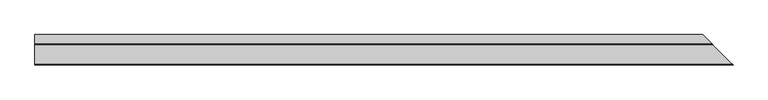
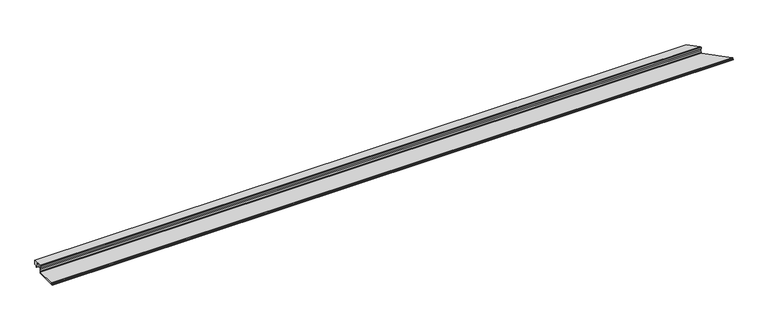
"""IFC4 building model written with IfcOpenShell, lengths in millimetres: proxy geometry."""

import ifcopenshell
import ifcopenshell.guid

model = None  # the IFC model being written
_history = None  # IfcOwnerHistory: only IFC2X3 demands one
_inside = {}  # id of a spatial element -> (the spatial element, [elements in it])
_under = {}  # id of a project, library or spatial element -> (it, [spatial elements below it])
_declared = {}  # id of a project -> (the project, [libraries it declares])
_typed = {}  # id of a type object -> (the type object, [elements of that type])
_made_of = {}  # id of a material, layer set ... -> (it, [elements and type objects made of it])


def new_model(schema):
    """Start an empty IFC model of exactly this schema.

    Asked for "IFC4X3", IfcOpenShell would pick the latest addendum, in which some entities
    have other attributes; the version numbers below select the first issue.
    IFC2X3 requires an IfcOwnerHistory on every rooted entity: one is made here for all.
    """
    global model, _history
    if schema == "IFC4X3":
        model = ifcopenshell.file(schema_version=(4, 3, 0, 0))
    else:
        model = ifcopenshell.file(schema=schema)
    _inside.clear()
    _under.clear()
    _declared.clear()
    _typed.clear()
    _made_of.clear()
    _history = None
    if model.schema == "IFC2X3":
        org = make("IfcOrganization", Name="unknown")
        user = make(
            "IfcPersonAndOrganization",
            ThePerson=make("IfcPerson", FamilyName="unknown"),
            TheOrganization=org,
        )
        app = make(
            "IfcApplication",
            ApplicationDeveloper=org,
            Version="unknown",
            ApplicationFullName="unknown",
            ApplicationIdentifier="unknown",
        )
        _history = make(
            "IfcOwnerHistory",
            OwningUser=user,
            OwningApplication=app,
            ChangeAction="ADDED",
            CreationDate=0,
        )
    return model


def make(cls, **values):
    """One entity of the class cls with the attributes given. An attribute that is None is left unset."""
    return model.create_entity(
        cls, **{name: value for name, value in values.items() if value is not None}
    )


def rooted(cls, **values):
    """An entity with a GlobalId (a new one), such as an element, a storey or a relation."""
    return make(cls, GlobalId=ifcopenshell.guid.new(), OwnerHistory=_history, **values)


def si_unit(unit_type, name, prefix=None):
    """IfcSIUnit, for example si_unit("LENGTHUNIT", "METRE", prefix="MILLI")."""
    return make("IfcSIUnit", UnitType=unit_type, Prefix=prefix, Name=name)


def assignment(units):
    """IfcUnitAssignment: the units of a project."""
    return None if units is None else make("IfcUnitAssignment", Units=units)


def point(xyz):
    """IfcCartesianPoint."""
    return None if xyz is None else make("IfcCartesianPoint", Coordinates=xyz)


def direction(xyz):
    """IfcDirection."""
    return None if xyz is None else make("IfcDirection", DirectionRatios=xyz)


def frame(location, z_axis=None, x_axis=None):
    """IfcAxis2Placement3D, a coordinate frame: its origin and axes. An axis left out is left unset."""
    return make(
        "IfcAxis2Placement3D",
        Location=point(location),
        Axis=direction(z_axis),
        RefDirection=direction(x_axis),
    )


def origin():
    """The frame at (0, 0, 0) with its axes left unset."""
    return frame((0.0, 0.0, 0.0))


def place(relative_to, where):
    """IfcLocalPlacement: puts the frame where relative to a parent placement (None: the world)."""
    return make(
        "IfcLocalPlacement", PlacementRelTo=relative_to, RelativePlacement=where
    )


def context(
    kind, dimensions, precision=None, world=None, true_north=None, identifier=None
):
    """IfcGeometricRepresentationContext, for example the 3D "Model" context."""
    return make(
        "IfcGeometricRepresentationContext",
        ContextIdentifier=identifier,
        ContextType=kind,
        CoordinateSpaceDimension=dimensions,
        Precision=precision,
        WorldCoordinateSystem=world,
        TrueNorth=true_north,
    )


def project(units=None, contexts=None):
    """IfcProject with its units and contexts."""
    return rooted(
        "IfcProject",
        Name="project",
        RepresentationContexts=contexts,
        UnitsInContext=assignment(units),
    )


def spatial(cls, under=None, at=None, **own):
    """A site, building, storey or space (cls), placed at a placement, below another one or the project."""
    s = rooted(cls, ObjectPlacement=at, **own)
    if under is not None:
        _under.setdefault(under.id(), (under, []))[1].append(s)
    return s


def polyline(points):
    """IfcPolyline through the points."""
    return make("IfcPolyline", Points=[point(p) for p in points])


def circle_curve(where, radius):
    """IfcCircle in the frame where."""
    return make("IfcCircle", Position=where, Radius=radius)


def ellipse_curve(where, semi_axis1, semi_axis2):
    """IfcEllipse in the frame where."""
    return make(
        "IfcEllipse", Position=where, SemiAxis1=semi_axis1, SemiAxis2=semi_axis2
    )


def faces_of(points, faces, orient=None, outer=None):
    """IfcFace entities. A face is a list of loops; a loop is a list of indices into points, from 0.

    orient and outer hold one flag for each loop. By default every Orientation is true, the
    first loop of a face is its IfcFaceOuterBound and the others are IfcFaceBound.
    """
    made = []
    for i, loops in enumerate(faces):
        bounds = []
        for j, loop in enumerate(loops):
            is_outer = j == 0 if outer is None else outer[i][j]
            bounds.append(
                make(
                    "IfcFaceOuterBound" if is_outer else "IfcFaceBound",
                    Bound=make("IfcPolyLoop", Polygon=[points[k] for k in loop]),
                    Orientation=True if orient is None else orient[i][j],
                )
            )
        made.append(make("IfcFace", Bounds=bounds))
    return made


def faceted_brep(points, faces, orient=None, outer=None, voids=None):
    """IfcFacetedBrep: a solid bounded by flat faces; with voids (closed shells), ...WithVoids."""
    shared = [point(p) for p in points]
    hull = make("IfcClosedShell", CfsFaces=faces_of(shared, faces, orient, outer))
    if voids is None:
        return make("IfcFacetedBrep", Outer=hull)
    return make(
        "IfcFacetedBrepWithVoids",
        Outer=hull,
        Voids=[
            make(cls, CfsFaces=faces_of(shared, fs, o, b)) for cls, fs, o, b in voids
        ],
    )


def shape(context_of_items, identifier, shape_type, items):
    """IfcShapeRepresentation: the items that make up one representation, for example the "Body"."""
    return make(
        "IfcShapeRepresentation",
        ContextOfItems=context_of_items,
        RepresentationIdentifier=identifier,
        RepresentationType=shape_type,
        Items=items,
    )


def source(mapping_origin, context_of_items, identifier, shape_type, items):
    """IfcRepresentationMap: a shape defined once, which mapped items show again and again."""
    return make(
        "IfcRepresentationMap",
        MappingOrigin=mapping_origin,
        MappedRepresentation=shape(context_of_items, identifier, shape_type, items),
    )


def transform(
    local_origin,
    x_axis=None,
    y_axis=None,
    z_axis=None,
    scale=None,
    scale2=None,
    scale3=None,
    uniform=True,
):
    """IfcCartesianTransformationOperator3D, or its non-uniform kind. x_axis, y_axis, z_axis: its Axis1, 2, 3."""
    if uniform:
        return make(
            "IfcCartesianTransformationOperator3D",
            Axis1=direction(x_axis),
            Axis2=direction(y_axis),
            LocalOrigin=point(local_origin),
            Scale=scale,
            Axis3=direction(z_axis),
        )
    return make(
        "IfcCartesianTransformationOperator3DnonUniform",
        Axis1=direction(x_axis),
        Axis2=direction(y_axis),
        LocalOrigin=point(local_origin),
        Scale=scale,
        Axis3=direction(z_axis),
        Scale2=scale2,
        Scale3=scale3,
    )


def mapped(mapping_source, mapping_target):
    """IfcMappedItem: shows the shape of a source again, moved by a transform."""
    return make(
        "IfcMappedItem", MappingSource=mapping_source, MappingTarget=mapping_target
    )


def made_of(thing, what):
    """Note that an element or type object is made of a material, layer set ...; save() writes the relation."""
    if what is not None:
        _made_of.setdefault(what.id(), (what, []))[1].append(thing)
    return thing


def element(
    cls,
    number,
    at=None,
    inside=None,
    cuts=None,
    type_object=None,
    material=None,
    context=None,
    identifier="Body",
    shape_type=None,
    held_by="IfcProductDefinitionShape",
    body=None,
    shapes=None,
    **own,
):
    """One element of the class cls, such as IfcWall. Its Tag is "e" and its number.

    at: its placement. inside: the storey or other place that contains it. cuts: it is an
    opening in that element (IfcRelVoidsElement). A single representation is given by context,
    identifier, shape_type and body (its items); several are given by shapes. held_by: the class
    of the entity that holds the representations. save() writes the other relations.
    """
    e = rooted(cls, Tag="e%d" % number, ObjectPlacement=at, **own)
    if body is not None:
        shapes = [shape(context, identifier, shape_type, body)]
    if shapes is not None:
        e.Representation = make(held_by, Representations=shapes)
    if inside is not None:
        _inside.setdefault(inside.id(), (inside, []))[1].append(e)
    if cuts is not None:
        rooted(
            "IfcRelVoidsElement", RelatingBuildingElement=cuts, RelatedOpeningElement=e
        )
    if type_object is not None:
        _typed.setdefault(type_object.id(), (type_object, []))[1].append(e)
    return made_of(e, material)


def aggregate(whole, parts):
    """IfcRelAggregates: a whole, such as a stair, and the parts it consists of."""
    return rooted("IfcRelAggregates", RelatingObject=whole, RelatedObjects=parts)


def save(model, path):
    """Write the relations noted so far, then the file.

    IfcRelAggregates (storeys below a building ...), IfcRelContainedInSpatialStructure (elements
    in a storey), IfcRelDefinesByType, IfcRelAssociatesMaterial and IfcRelDeclares: one each for
    every whole, place, type object, material and project.
    """
    for whole, parts in _under.values():
        aggregate(whole, parts)
    for where, things in _inside.values():
        rooted(
            "IfcRelContainedInSpatialStructure",
            RelatedElements=things,
            RelatingStructure=where,
        )
    for kind, things in _typed.values():
        rooted("IfcRelDefinesByType", RelatedObjects=things, RelatingType=kind)
    for what, things in _made_of.values():
        rooted("IfcRelAssociatesMaterial", RelatedObjects=things, RelatingMaterial=what)
    for by, libraries in _declared.values():
        rooted("IfcRelDeclares", RelatingContext=by, RelatedDefinitions=libraries)
    model.write(path)


def plane_surface(at):
    """IfcPlane: the flat surface through the origin of the frame at, square to its z axis."""
    return make("IfcPlane", Position=at)


def cylinder_surface(at, radius):
    """IfcCylindricalSurface: all points at the distance radius from the z axis of the frame at."""
    return make("IfcCylindricalSurface", Position=at, Radius=radius)


def revolved_surface(curve, axis_point, axis_direction):
    """IfcSurfaceOfRevolution: the curve turned about the line through axis_point along axis_direction."""
    return make(
        "IfcSurfaceOfRevolution",
        SweptCurve=make("IfcArbitraryOpenProfileDef", ProfileType="CURVE", Curve=curve),
        AxisPosition=make("IfcAxis1Placement", Location=point(axis_point), Axis=direction(axis_direction)),
    )


def advanced_brep(points, edges, surfaces, faces):
    """IfcAdvancedBrep: a solid bounded by faces that lie on surfaces and meet in shared edges.

    An edge is (start, end): straight between two places in points (the first is 0);
    or (start, end, curve); or (start, end, curve, False) where it runs against its curve.
    A face is (place in surfaces, loops), or (place, loops, False) where it looks against
    its surface's normal. A loop lists edges by number (the first is 1), with a minus sign
    where the edge is run from its end to its start. The first loop is the outer one.
    """
    corners = [point(p) for p in points]
    vertices = [make("IfcVertexPoint", VertexGeometry=c) for c in corners]
    made = []
    for start, end, *more in edges:
        made.append(
            make(
                "IfcEdgeCurve",
                EdgeStart=vertices[start],
                EdgeEnd=vertices[end],
                EdgeGeometry=more[0] if more else make("IfcPolyline", Points=[corners[start], corners[end]]),
                SameSense=more[1] if len(more) > 1 else True,
            )
        )
    hull = []
    for where, loops, *sense in faces:
        bounds = []
        for j, loop in enumerate(loops):
            ring = [make("IfcOrientedEdge", EdgeElement=made[abs(k) - 1], Orientation=k > 0) for k in loop]
            bounds.append(
                make(
                    "IfcFaceOuterBound" if j == 0 else "IfcFaceBound",
                    Bound=make("IfcEdgeLoop", EdgeList=ring),
                    Orientation=True,
                )
            )
        hull.append(make("IfcAdvancedFace", Bounds=bounds, FaceSurface=surfaces[where], SameSense=sense[0] if sense else True))
    return make("IfcAdvancedBrep", Outer=make("IfcClosedShell", CfsFaces=hull))


def specialty_equipment_7666ca21(model_context):
    return source(origin(), model_context, "Body", "SolidModel", [
        faceted_brep([(0.0, 165.632524, 63.5), (0.0, 235.482524, 63.5), (0.0, 235.482524, 31.75), (0.0, 215.241899, 31.75), (0.0, 215.241899, 19.05), (0.0, 212.9598677, 19.05), (0.0, 212.9598677, 61.1898306), (0.0, 175.284524, 61.1898306), (0.0, 175.284524, 44.45), (0.0, 165.632524, 44.45), (5152.7107788, 235.482524, 63.5), (5222.5607788, 165.632524, 63.5), (5222.5607788, 165.632524, 44.45), (5212.9087788, 175.284524, 44.45), (5212.9087788, 175.284524, 61.1898306), (5175.233435, 212.9598677, 61.1898306), (5175.233435, 212.9598677, 19.05), (5172.9514038, 215.241899, 19.05), (5172.9514038, 215.241899, 31.75), (5152.7107788, 235.482524, 31.75)], [[[0, 1, 2, 3, 4, 5, 6, 7, 8, 9]], [[10, 11, 12, 13, 14, 15, 16, 17, 18, 19]], [[10, 1, 0, 11]], [[11, 0, 9, 12]], [[12, 9, 8, 13]], [[13, 8, 7, 14]], [[14, 7, 6, 15]], [[15, 6, 5, 16]], [[16, 5, 4, 17]], [[17, 4, 3, 18]], [[18, 3, 2, 19]], [[1, 10, 19, 2]]]),
        advanced_brep(
        [(0.0, 165.632524, 0.0), (0.0, 0.0, 0.0), (0.0, 0.0, 1.651), (0.0, 8.368424, 1.7970714), (0.0, 8.368424, 9.7466904), (0.0, 7.805541, 10.3095735), (0.0, 1.0402986, 10.3095735), (0.0, 0.5832573, 11.0269846), (0.0, 2.843924, 15.875), (0.0, 5.206124, 15.875), (0.0, 5.206124, 12.7), (0.0, 159.282524, 12.7), (0.0, 159.282524, 19.05), (0.0, 163.346524, 31.75), (0.0, 163.346524, 46.0298451), (0.0, 158.495124, 48.3942822), (0.0, 158.495124, 63.5), (0.0, 165.632524, 63.5), (5388.1933028, 0.0, 0.0), (5222.5607788, 165.632524, 0.0), (5222.5607788, 165.632524, 63.5), (5229.6981788, 158.495124, 63.5), (5229.6981788, 158.495124, 48.3942822), (5224.8467788, 163.346524, 46.0298451), (5224.8467788, 163.346524, 31.75), (5228.9107788, 159.282524, 19.05), (5228.9107788, 159.282524, 12.7), (5382.9871788, 5.206124, 12.7), (5382.9871788, 5.206124, 15.875), (5385.3493788, 2.843924, 15.875), (5387.6100455, 0.5832573, 11.0269846), (5387.1530042, 1.0402986, 10.3095735), (5380.3877618, 7.805541, 10.3095735), (5379.8248788, 8.368424, 9.7466904), (5379.8248788, 8.368424, 1.7970714), (5388.1933028, 0.0, 1.651)],
        [
            (0, 1),
            (1, 2),
            (2, 3),
            (3, 4),
            (4, 5, circle_curve(frame((0.0, 7.805541, 9.7466904), z_axis=(1.0, 0.0, 0.0), x_axis=(0.0, 1.0, 0.0)), 0.562883)),
            (5, 6),
            (6, 7, circle_curve(frame((0.0, 1.0402986, 10.8138628), z_axis=(-1.0, 0.0, 0.0), x_axis=(0.0, 1.0, 0.0)), 0.5042893)),
            (7, 8),
            (8, 9),
            (9, 10),
            (10, 11),
            (11, 12),
            (12, 13),
            (13, 14),
            (14, 15),
            (15, 16),
            (16, 17),
            (17, 0),
            (18, 19),
            (19, 20),
            (20, 21),
            (21, 22),
            (22, 23),
            (23, 24),
            (24, 25),
            (25, 26),
            (26, 27),
            (27, 28),
            (28, 29),
            (29, 30),
            (30, 31, ellipse_curve(frame((5387.1530042, 1.0402986, 10.8138628), z_axis=(0.7071067811865488, 0.7071067811865464, 0.0), x_axis=(-0.7071067811865461, 0.7071067811865488, 0.0)), 0.7131728, 0.5042893)),
            (31, 32),
            (32, 33, ellipse_curve(frame((5380.3877618, 7.805541, 9.7466904), z_axis=(-0.7071067811865488, -0.7071067811865464, 0.0), x_axis=(0.7071067811865461, -0.7071067811865488, 0.0)), 0.7960368, 0.562883)),
            (33, 34),
            (34, 35),
            (35, 18),
            (0, 19),
            (18, 1),
            (35, 2),
            (34, 3),
            (33, 4),
            (32, 5),
            (31, 6),
            (30, 7),
            (29, 8),
            (28, 9),
            (27, 10),
            (26, 11),
            (25, 12),
            (24, 13),
            (23, 14),
            (22, 15),
            (21, 16),
            (20, 17),
        ],
        [
            plane_surface(frame((0.0, 0.0, 304.8), z_axis=(-1.0, 0.0, 0.0), x_axis=(0.0, 0.0, -1.0))),
            plane_surface(frame((4880.1933028, 508.0, 304.8), z_axis=(0.7071067811865488, 0.7071067811865464, 0.0), x_axis=(0.0, 0.0, -1.0))),
            plane_surface(frame((-406.4, 165.632524, 0.0), z_axis=(0.0, 0.0, -1.0), x_axis=(1.0, 0.0, 0.0))),
            plane_surface(frame((-406.4, 0.0, 0.0), z_axis=(0.0, -1.0, 0.0), x_axis=(1.0, 0.0, 0.0))),
            plane_surface(frame((-406.4, 0.0, 1.651), z_axis=(0.0, -0.01745240643728535, 0.9998476951563913), x_axis=(1.0, 0.0, 0.0))),
            plane_surface(frame((-406.4, 8.368424, 1.7970714), z_axis=(0.0, -1.0, 0.0), x_axis=(1.0, 0.0, 0.0))),
            revolved_surface(polyline([(5380.950644819353, 8.368424, 9.7466904), (0.0, 8.368424, 9.7466904)]), (-406.4, 7.805541, 9.7466904), (1.0, 0.0, 0.0)),
            plane_surface(frame((-406.4, 7.805541, 10.3095735), z_axis=(0.0, 0.0, -1.0), x_axis=(1.0, 0.0, 0.0))),
            cylinder_surface(frame((-406.4, 1.0402986, 10.8138628), z_axis=(-1.0, 0.0, 0.0), x_axis=(0.0, 1.0, 0.0)), 0.5042893),
            plane_surface(frame((-406.4, 0.5832573, 11.0269846), z_axis=(0.0, -0.9063077870366325, 0.4226182617407369), x_axis=(1.0, 0.0, 0.0))),
            plane_surface(frame((-406.4, 2.843924, 15.875), z_axis=(0.0, 0.0, 1.0), x_axis=(1.0, 0.0, 0.0))),
            plane_surface(frame((-406.4, 5.206124, 15.875), z_axis=(0.0, 1.0, 0.0), x_axis=(1.0, 0.0, 0.0))),
            plane_surface(frame((-406.4, 5.206124, 12.7), z_axis=(0.0, 0.0, 1.0), x_axis=(1.0, 0.0, 0.0))),
            plane_surface(frame((-406.4, 159.282524, 12.7), z_axis=(0.0, -1.0, 0.0), x_axis=(1.0, 0.0, 0.0))),
            plane_surface(frame((-406.4, 159.282524, 19.05), z_axis=(0.0, -0.9524241471993259, 0.3047757271037786), x_axis=(1.0, 0.0, 0.0))),
            plane_surface(frame((-406.4, 163.346524, 31.75), z_axis=(0.0, -1.0, 0.0), x_axis=(1.0, 0.0, 0.0))),
            plane_surface(frame((-406.4, 163.346524, 46.0298451), z_axis=(0.0, -0.4381093610951833, -0.8989216805266022), x_axis=(1.0, 0.0, 0.0))),
            plane_surface(frame((-406.4, 158.495124, 48.3942822), z_axis=(0.0, -1.0, 0.0), x_axis=(1.0, 0.0, 0.0))),
            plane_surface(frame((-406.4, 158.495124, 63.5), z_axis=(0.0, 0.0, 1.0), x_axis=(1.0, 0.0, 0.0))),
            plane_surface(frame((-406.4, 165.632524, 63.5), z_axis=(0.0, 1.0, 0.0), x_axis=(1.0, 0.0, 0.0))),
        ],
        [
            (0, [[1, 2, 3, 4, 5, 6, 7, 8, 9, 10, 11, 12, 13, 14, 15, 16, 17, 18]]),
            (1, [[19, 20, 21, 22, 23, 24, 25, 26, 27, 28, 29, 30, 31, 32, 33, 34, 35, 36]]),
            (2, [[37, -19, 38, -1]]),
            (3, [[-38, -36, 39, -2]]),
            (4, [[-39, -35, 40, -3]]),
            (5, [[-40, -34, 41, -4]]),
            (6, [[-41, -33, 42, -5]]),
            (7, [[-42, -32, 43, -6]]),
            (8, [[-43, -31, 44, -7]]),
            (9, [[-44, -30, 45, -8]]),
            (10, [[-45, -29, 46, -9]]),
            (11, [[-46, -28, 47, -10]]),
            (12, [[-47, -27, 48, -11]]),
            (13, [[-48, -26, 49, -12]]),
            (14, [[-49, -25, 50, -13]]),
            (15, [[-50, -24, 51, -14]]),
            (16, [[-51, -23, 52, -15]]),
            (17, [[-52, -22, 53, -16]]),
            (18, [[-53, -21, 54, -17]]),
            (19, [[-37, -18, -54, -20]]),
        ],
    ),
    ])


if __name__ == "__main__":
    model = new_model("IFC4")
    model_context = context("Model", 3, world=origin())
    ifc_project = project(units=[si_unit("LENGTHUNIT", "METRE", prefix="MILLI")], contexts=[model_context])
    site = spatial("IfcSite", under=ifc_project)
    building = spatial("IfcBuilding", under=site)
    placement = place(None, origin())
    specialty_equipment_shape = specialty_equipment_7666ca21(model_context)
    element("IfcBuildingElementProxy", 1, Name="Specialty Equipment", at=placement, inside=building, context=model_context, shape_type="MappedRepresentation", body=[
        mapped(specialty_equipment_shape, transform((0.0, 0.0, 0.0), x_axis=(1.0, 0.0, 0.0), y_axis=(0.0, 1.0, 0.0), z_axis=(0.0, 0.0, 1.0))),
    ])
    save(model, "model.ifc")
